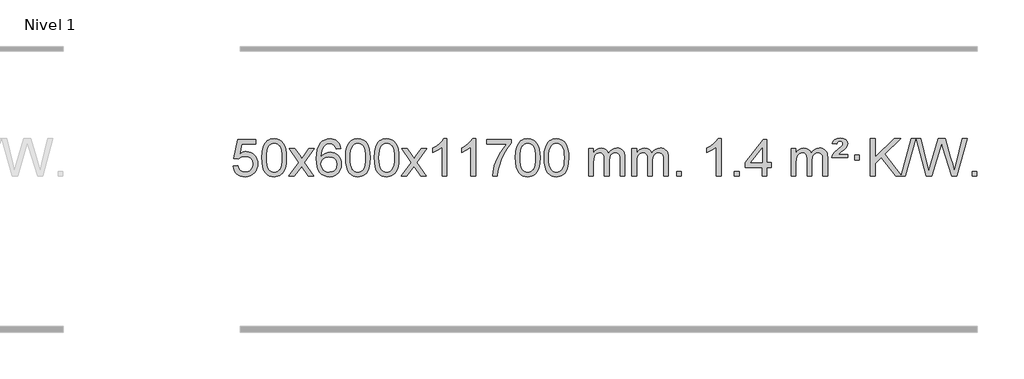
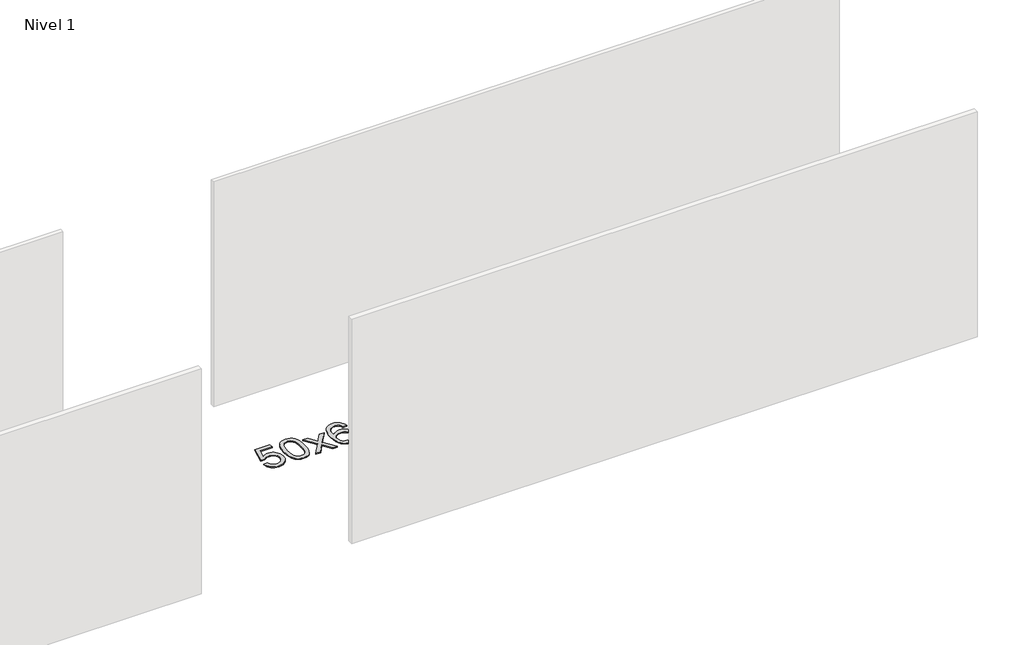
# One storey, part 10 of 12: 1 proxy.
"""IFC4 building model written with IfcOpenShell, lengths in millimetres."""

from ifc_helpers import new_model, si_unit, origin, origin_with_axes, place, context, project, spatial, polyline, outline, extrude, element, save

model = new_model("IFC4")

# Units and contexts
model_context = context("Model", 3, world=origin())
ifc_project = project(units=[si_unit("LENGTHUNIT", "METRE", prefix="MILLI")], contexts=[model_context])

# Site, building, storey
site = spatial("IfcSite", under=ifc_project)
building = spatial("IfcBuilding", under=site)
storey = spatial("IfcBuildingStorey", under=building, Name="Nivel 1", Elevation=0.0)

# Proxy
placement = place(None, origin())
element("IfcBuildingElementProxy", 1, Name="Texto de modelo 1", ObjectType="Texto de modelo 1", at=placement, inside=storey, context=model_context, shape_type="SweptSolid", body=[
    extrude(outline(polyline([(-1909.9934354, -284.8446235), (-1859.7652803, -278.5661041), (-1850.543705, -308.7201649), (-1834.454999, -330.3148381), (-1811.5727389, -343.3010725), (-1781.9705011, -347.6298173), (-1762.8406373, -346.1245668), (-1745.9671165, -341.6088153), (-1731.3499385, -334.0825628), (-1718.9891035, -323.5458094), (-1709.1605228, -310.519721), (-1702.1401081, -295.5254641), (-1696.5237763, -259.6324441), (-1701.7844888, -225.8363514), (-1708.3603795, -211.9181493), (-1717.5666264, -199.9865099), (-1729.4338865, -190.4154467), (-1743.9928164, -183.5789729), (-1781.1856861, -178.1097939), (-1805.5517369, -180.2925604), (-1825.2824746, -186.8408599), (-1841.0400868, -196.8717757), (-1853.4867609, -209.5023908), (-1903.714916, -203.2238715), (-1859.7652803, 3.9672682), (-1665.1311794, 3.9672682), (-1665.1311794, -46.2608869), (-1819.151108, -46.2608869), (-1840.6354166, -156.919791), (-1822.9096358, -144.2155994), (-1804.7546593, -135.1411769), (-1786.1704872, -129.6965234), (-1767.1571194, -127.8816388), (-1742.6960324, -130.1318504), (-1720.2276395, -136.882485), (-1699.7519408, -148.1335427), (-1681.2689362, -163.8850234), (-1665.9681109, -183.1743027), (-1655.03895, -205.038756), (-1648.4814534, -229.4783832), (-1646.2956212, -256.4931844), (-1648.2637899, -282.5147042), (-1654.1682959, -306.7213394), (-1664.0091393, -329.1130902), (-1677.78632, -349.6899565), (-1698.6574919, -370.7634634), (-1723.01128, -385.8159684), (-1750.8476843, -394.8474714), (-1782.1667048, -397.8579724), (-1808.087057, -395.9235262), (-1831.4996803, -390.1201877), (-1852.4045747, -380.447957), (-1870.8017402, -366.9068338), (-1886.1086968, -350.1712688), (-1897.7429649, -330.915712), (-1905.7045445, -309.1401636), (-1909.9934354, -284.8446235)])), origin_with_axes(), (0.0, 0.0, 1.0), 10.0),
    extrude(outline(polyline([(-1602.3459855, -193.9041943), (-1598.6549029, -129.5861588), (-1587.5816548, -78.2911459), (-1569.236606, -39.2343407), (-1557.378543, -24.0009605), (-1543.730121, -11.6309284), (-1528.2453547, -2.0598651), (-1510.8782588, 4.7766086), (-1470.4970785, 10.2457876), (-1439.5459399, 7.008426), (-1411.832163, -2.7036586), (-1388.6555973, -18.5103217), (-1371.3160926, -40.0314184), (-1358.2194935, -67.0830078), (-1347.7716449, -99.4811488), (-1340.9290398, -140.6226186), (-1338.6481714, -193.9041943), (-1342.3024659, -257.8543477), (-1353.2653493, -309.0267333), (-1371.5000336, -348.1203266), (-1383.3305054, -363.3996922), (-1396.9697304, -375.8341036), (-1412.4728908, -385.4695462), (-1429.8951689, -392.3520052), (-1470.4970785, -397.8579724), (-1498.1618045, -395.4667394), (-1522.6872709, -388.2930405), (-1544.0734775, -376.3368757), (-1562.3204245, -359.5982449), (-1579.8316074, -329.3399508), (-1592.3395953, -291.6381776), (-1599.844388, -246.4929255), (-1602.3459855, -193.9041943)]), holes=[polyline([(-1552.1178305, -193.8060924), (-1550.6463025, -237.4706195), (-1546.2317185, -272.8148822), (-1538.8740786, -299.8388804), (-1528.5733828, -318.5426142), (-1516.1144459, -331.2682656), (-1502.2820829, -340.3580165), (-1487.0762937, -345.8118671), (-1470.4970785, -347.6298173), (-1453.9178632, -345.8057357), (-1438.7120741, -340.3334911), (-1424.8797111, -331.2130833), (-1412.4207742, -318.4445124), (-1402.1200783, -299.7101217), (-1394.7624384, -272.6922549), (-1390.3478545, -237.3909118), (-1388.8763265, -193.8060924), (-1390.2988035, -151.2973278), (-1394.5662347, -116.5753989), (-1401.6786199, -89.6403055), (-1411.6359592, -70.4920476), (-1423.8864297, -57.1440625), (-1437.8782082, -47.6097875), (-1453.6112949, -41.8892225), (-1471.0856897, -39.9823675), (-1487.5790658, -41.6623619), (-1502.5273375, -46.7023452), (-1515.9305049, -55.1023175), (-1527.7885679, -66.8622786), (-1538.4326203, -87.708925), (-1546.0355148, -115.8151094), (-1550.5972516, -151.1808319), (-1552.1178305, -193.8060924)])]), origin_with_axes(), (0.0, 0.0, 1.0), 10.0),
    extrude(outline(polyline([(-1313.5340939, -391.579453), (-1206.2106531, -243.2494325), (-1307.2555745, -96.4890419), (-1246.8248254, -96.4890419), (-1198.0681983, -167.122385), (-1175.3085655, -200.4770192), (-1155.5900906, -173.2047007), (-1100.0644348, -96.4890419), (-1039.6336857, -96.4890419), (-1145.7799041, -243.2494325), (-1043.5577603, -391.579453), (-1103.9885094, -391.579453), (-1165.498379, -302.4048574), (-1176.7800935, -286.1199477), (-1253.1033448, -391.579453), (-1313.5340939, -391.579453)])), origin_with_axes(), (0.0, 0.0, 1.0), 10.0),
    extrude(outline(polyline([(-754.7458687, -96.4890419), (-804.9740237, -102.7675613), (-813.0674276, -77.874213), (-824.0057856, -60.8780648), (-846.7899439, -45.2062918), (-874.3320426, -39.9823675), (-897.6802865, -43.0235253), (-919.6551044, -52.1469988), (-938.5274507, -71.3627017), (-953.9417063, -97.8134171), (-964.3527668, -135.227016), (-968.2155277, -187.3313693), (-948.0678571, -163.8237098), (-923.9225355, -147.2567573), (-897.1284635, -137.434308), (-869.0345418, -134.1601582), (-844.9014829, -136.398107), (-822.6323595, -143.1119534), (-802.2271715, -154.3016975), (-783.6859189, -169.9673391), (-768.2777947, -189.1769106), (-757.2719917, -210.9984443), (-750.6685099, -235.4319401), (-748.4673493, -262.4773982), (-752.6121531, -298.4439945), (-765.0465645, -331.786366), (-784.740514, -360.0642287), (-810.6639319, -380.8372987), (-841.6395959, -393.602804), (-876.4902836, -397.8579724), (-906.4328123, -395.0375437), (-933.4752046, -386.5762579), (-957.6174606, -372.4741147), (-978.8595801, -352.7311143), (-996.177625, -326.5133908), (-1008.5476571, -292.9870783), (-1015.9696764, -252.1521768), (-1018.4436828, -204.0086864), (-1015.6968306, -150.0342663), (-1007.4562739, -103.9693092), (-993.7220127, -65.8138149), (-974.4940471, -35.5677835), (-953.6535321, -15.5243462), (-929.4898164, -1.2076052), (-902.0029, 7.3824394), (-871.1927829, 10.2457876), (-848.0591367, 8.4738227), (-827.1205198, 3.1579278), (-808.3769322, -5.7018969), (-791.8283738, -18.1056515), (-777.9224344, -33.6364031), (-767.1067037, -51.8772186), (-759.3811818, -72.8280983), (-754.7458687, -96.4890419)]), holes=[polyline([(-968.2155277, -261.6925832), (-965.30926, -283.9494439), (-956.5904567, -305.2007605), (-943.0523993, -323.472233), (-925.6883691, -336.7895612), (-904.7313581, -344.9197533), (-880.4143582, -347.6298173), (-847.2681904, -342.0134855), (-833.353054, -334.9930708), (-821.2098825, -325.1644901), (-811.359842, -312.9262824), (-804.3240989, -298.6769865), (-798.6955043, -264.1451299), (-804.2505225, -230.9989621), (-811.1942951, -217.3781312), (-820.9155769, -205.725469), (-833.0955366, -196.3904634), (-847.4153432, -189.7226022), (-882.4744974, -184.3883133), (-915.5716142, -189.7226022), (-943.248603, -205.725469), (-954.1716326, -217.2248471), (-961.9737965, -230.3858254), (-966.6550949, -245.2084042), (-968.2155277, -261.6925832)])]), origin_with_axes(), (0.0, 0.0, 1.0), 10.0),
    extrude(outline(polyline([(-704.5177136, -193.9041943), (-700.8266309, -129.5861588), (-689.7533828, -78.2911459), (-671.408334, -39.2343407), (-659.550271, -24.0009605), (-645.901849, -11.6309284), (-630.4170827, -2.0598651), (-613.0499869, 4.7766086), (-572.6688065, 10.2457876), (-541.717668, 7.008426), (-514.003891, -2.7036586), (-490.8273253, -18.5103217), (-473.4878206, -40.0314184), (-460.3912216, -67.0830078), (-449.9433729, -99.4811488), (-443.1007678, -140.6226186), (-440.8198994, -193.9041943), (-444.4741939, -257.8543477), (-455.4370774, -309.0267333), (-473.6717616, -348.1203266), (-485.5022334, -363.3996922), (-499.1414584, -375.8341036), (-514.6446188, -385.4695462), (-532.066897, -392.3520052), (-572.6688065, -397.8579724), (-600.3335326, -395.4667394), (-624.8589989, -388.2930405), (-646.2452055, -376.3368757), (-664.4921525, -359.5982449), (-682.0033355, -329.3399508), (-694.5113233, -291.6381776), (-702.016116, -246.4929255), (-704.5177136, -193.9041943)]), holes=[polyline([(-654.2895585, -193.8060924), (-652.8180305, -237.4706195), (-648.4034466, -272.8148822), (-641.0458067, -299.8388804), (-630.7451108, -318.5426142), (-618.2861739, -331.2682656), (-604.4538109, -340.3580165), (-589.2480218, -345.8118671), (-572.6688065, -347.6298173), (-556.0895913, -345.8057357), (-540.8838021, -340.3334911), (-527.0514391, -331.2130833), (-514.5925022, -318.4445124), (-504.2918063, -299.7101217), (-496.9341664, -272.6922549), (-492.5195825, -237.3909118), (-491.0480545, -193.8060924), (-492.4705316, -151.2973278), (-496.7379627, -116.5753989), (-503.8503479, -89.6403055), (-513.8076873, -70.4920476), (-526.0581577, -57.1440625), (-540.0499363, -47.6097875), (-555.7830229, -41.8892225), (-573.2574177, -39.9823675), (-589.7507938, -41.6623619), (-604.6990656, -46.7023452), (-618.1022329, -55.1023175), (-629.9602959, -66.8622786), (-640.6043483, -87.708925), (-648.2072429, -115.8151094), (-652.7689796, -151.1808319), (-654.2895585, -193.8060924)])]), origin_with_axes(), (0.0, 0.0, 1.0), 10.0),
    extrude(outline(polyline([(-396.8702638, -193.9041943), (-393.1791811, -129.5861588), (-382.105933, -78.2911459), (-363.7608842, -39.2343407), (-351.9028212, -24.0009605), (-338.2543992, -11.6309284), (-322.7696329, -2.0598651), (-305.402537, 4.7766086), (-265.0213567, 10.2457876), (-234.0702182, 7.008426), (-206.3564412, -2.7036586), (-183.1798755, -18.5103217), (-165.8403708, -40.0314184), (-152.7437718, -67.0830078), (-142.2959231, -99.4811488), (-135.453318, -140.6226186), (-133.1724496, -193.9041943), (-136.8267441, -257.8543477), (-147.7896275, -309.0267333), (-166.0243118, -348.1203266), (-177.8547836, -363.3996922), (-191.4940086, -375.8341036), (-206.997169, -385.4695462), (-224.4194471, -392.3520052), (-265.0213567, -397.8579724), (-292.6860827, -395.4667394), (-317.2115491, -388.2930405), (-338.5977557, -376.3368757), (-356.8447027, -359.5982449), (-374.3558856, -329.3399508), (-386.8638735, -291.6381776), (-394.3686662, -246.4929255), (-396.8702638, -193.9041943)]), holes=[polyline([(-346.6421087, -193.8060924), (-345.1705807, -237.4706195), (-340.7559968, -272.8148822), (-333.3983568, -299.8388804), (-323.097661, -318.5426142), (-310.6387241, -331.2682656), (-296.8063611, -340.3580165), (-281.6005719, -345.8118671), (-265.0213567, -347.6298173), (-248.4421414, -345.8057357), (-233.2363523, -340.3334911), (-219.4039893, -331.2130833), (-206.9450524, -318.4445124), (-196.6443565, -299.7101217), (-189.2867166, -272.6922549), (-184.8721327, -237.3909118), (-183.4006047, -193.8060924), (-184.8230817, -151.2973278), (-189.0905129, -116.5753989), (-196.2028981, -89.6403055), (-206.1602375, -70.4920476), (-218.4107079, -57.1440625), (-232.4024864, -47.6097875), (-248.1355731, -41.8892225), (-265.6099679, -39.9823675), (-282.103344, -41.6623619), (-297.0516157, -46.7023452), (-310.4547831, -55.1023175), (-322.3128461, -66.8622786), (-332.9568985, -87.708925), (-340.559793, -115.8151094), (-345.1215298, -151.1808319), (-346.6421087, -193.8060924)])]), origin_with_axes(), (0.0, 0.0, 1.0), 10.0),
    extrude(outline(polyline([(-108.0583721, -391.579453), (-0.7349313, -243.2494325), (-101.7798527, -96.4890419), (-41.3491036, -96.4890419), (7.4075235, -167.122385), (30.1671563, -200.4770192), (49.8856312, -173.2047007), (105.411287, -96.4890419), (165.8420361, -96.4890419), (59.6958177, -243.2494325), (161.9179615, -391.579453), (101.4872124, -391.579453), (39.9773428, -302.4048574), (28.6956283, -286.1199477), (-47.627623, -391.579453), (-108.0583721, -391.579453)])), origin_with_axes(), (0.0, 0.0, 1.0), 10.0),
    extrude(outline(polyline([(381.6661399, -391.579453), (331.4379848, -391.579453), (331.4379848, -78.4382987), (310.4687111, -95.3976587), (283.8585801, -112.3324932), (230.9816747, -137.6918254), (230.9816747, -90.2105225), (270.4308873, -68.7507395), (304.6071247, -43.219729), (331.5483494, -16.0700378), (349.2925243, 10.2457876), (381.6661399, 10.2457876), (381.6661399, -391.579453)])), origin_with_axes(), (0.0, 0.0, 1.0), 10.0),
    extrude(outline(polyline([(689.3135897, -391.579453), (639.0854347, -391.579453), (639.0854347, -78.4382987), (618.1161609, -95.3976587), (591.50603, -112.3324932), (538.6291245, -137.6918254), (538.6291245, -90.2105225), (578.0783371, -68.7507395), (612.2545745, -43.219729), (639.1957993, -16.0700378), (656.9399742, 10.2457876), (689.3135897, 10.2457876), (689.3135897, -391.579453)])), origin_with_axes(), (0.0, 0.0, 1.0), 10.0),
    extrude(outline(polyline([(808.605458, -46.2608869), (808.605458, 3.9672682), (1072.3032722, 3.9672682), (1072.3032722, -36.646904), (1034.717995, -84.214046), (997.5005998, -144.7061088), (964.6732631, -212.6048623), (940.2581614, -282.3920768), (928.2897338, -334.6067947), (921.618807, -391.579453), (871.3906519, -391.579453), (876.8230427, -339.8061935), (891.3543815, -278.2717985), (914.5922609, -213.0463207), (946.1442733, -150.1998132), (982.9815238, -93.3865704), (1022.0751171, -46.2608869), (808.605458, -46.2608869)])), origin_with_axes(), (0.0, 0.0, 1.0), 10.0),
    extrude(outline(polyline([(1116.2529079, -193.9041943), (1119.9439906, -129.5861588), (1131.0172386, -78.2911459), (1149.3622874, -39.2343407), (1161.2203504, -24.0009605), (1174.8687724, -11.6309284), (1190.3535388, -2.0598651), (1207.7206346, 4.7766086), (1248.1018149, 10.2457876), (1279.0529535, 7.008426), (1306.7667304, -2.7036586), (1329.9432961, -18.5103217), (1347.2828008, -40.0314184), (1360.3793999, -67.0830078), (1370.8272485, -99.4811488), (1377.6698537, -140.6226186), (1379.950722, -193.9041943), (1376.2964275, -257.8543477), (1365.3335441, -309.0267333), (1347.0988599, -348.1203266), (1335.268388, -363.3996922), (1321.6291631, -375.8341036), (1306.1260026, -385.4695462), (1288.7037245, -392.3520052), (1248.1018149, -397.8579724), (1220.4370889, -395.4667394), (1195.9116226, -388.2930405), (1174.5254159, -376.3368757), (1156.278469, -359.5982449), (1138.767286, -329.3399508), (1126.2592981, -291.6381776), (1118.7545054, -246.4929255), (1116.2529079, -193.9041943)]), holes=[polyline([(1166.481063, -193.8060924), (1167.9525909, -237.4706195), (1172.3671749, -272.8148822), (1179.7248148, -299.8388804), (1190.0255106, -318.5426142), (1202.4844475, -331.2682656), (1216.3168106, -340.3580165), (1231.5225997, -345.8118671), (1248.1018149, -347.6298173), (1264.6810302, -345.8057357), (1279.8868193, -340.3334911), (1293.7191824, -331.2130833), (1306.1781193, -318.4445124), (1316.4788151, -299.7101217), (1323.836455, -272.6922549), (1328.251039, -237.3909118), (1329.7225669, -193.8060924), (1328.3000899, -151.2973278), (1324.0326588, -116.5753989), (1316.9202735, -89.6403055), (1306.9629342, -70.4920476), (1294.7124637, -57.1440625), (1280.7206852, -47.6097875), (1264.9875985, -41.8892225), (1247.5132038, -39.9823675), (1231.0198276, -41.6623619), (1216.0715559, -46.7023452), (1202.6683885, -55.1023175), (1190.8103256, -66.8622786), (1180.1662732, -87.708925), (1172.5633786, -115.8151094), (1168.0016419, -151.1808319), (1166.481063, -193.8060924)])]), origin_with_axes(), (0.0, 0.0, 1.0), 10.0),
    extrude(outline(polyline([(1423.9003577, -193.9041943), (1427.5914404, -129.5861588), (1438.6646885, -78.2911459), (1457.0097373, -39.2343407), (1468.8678003, -24.0009605), (1482.5162223, -11.6309284), (1498.0009886, -2.0598651), (1515.3680844, 4.7766086), (1555.7492648, 10.2457876), (1586.7004033, 7.008426), (1614.4141803, -2.7036586), (1637.590746, -18.5103217), (1654.9302507, -40.0314184), (1668.0268497, -67.0830078), (1678.4746984, -99.4811488), (1685.3173035, -140.6226186), (1687.5981719, -193.9041943), (1683.9438774, -257.8543477), (1672.9809939, -309.0267333), (1654.7463097, -348.1203266), (1642.9158379, -363.3996922), (1629.2766129, -375.8341036), (1613.7734525, -385.4695462), (1596.3511743, -392.3520052), (1555.7492648, -397.8579724), (1528.0845387, -395.4667394), (1503.5590724, -388.2930405), (1482.1728657, -376.3368757), (1463.9259188, -359.5982449), (1446.4147358, -329.3399508), (1433.906748, -291.6381776), (1426.4019553, -246.4929255), (1423.9003577, -193.9041943)]), holes=[polyline([(1474.1285128, -193.8060924), (1475.6000408, -237.4706195), (1480.0146247, -272.8148822), (1487.3722646, -299.8388804), (1497.6729605, -318.5426142), (1510.1318974, -331.2682656), (1523.9642604, -340.3580165), (1539.1700495, -345.8118671), (1555.7492648, -347.6298173), (1572.32848, -345.8057357), (1587.5342692, -340.3334911), (1601.3666322, -331.2130833), (1613.8255691, -318.4445124), (1624.126265, -299.7101217), (1631.4839049, -272.6922549), (1635.8984888, -237.3909118), (1637.3700168, -193.8060924), (1635.9475397, -151.2973278), (1631.6801086, -116.5753989), (1624.5677233, -89.6403055), (1614.610384, -70.4920476), (1602.3599136, -57.1440625), (1588.368135, -47.6097875), (1572.6350484, -41.8892225), (1555.1606536, -39.9823675), (1538.6672775, -41.6623619), (1523.7190057, -46.7023452), (1510.3158384, -55.1023175), (1498.4577754, -66.8622786), (1487.813723, -87.708925), (1480.2108284, -115.8151094), (1475.6490917, -151.1808319), (1474.1285128, -193.8060924)])]), origin_with_axes(), (0.0, 0.0, 1.0), 10.0),
    extrude(outline(polyline([(1901.0678309, -391.579453), (1901.0678309, -96.4890419), (1951.295986, -96.4890419), (1951.295986, -145.0494653), (1966.4036733, -122.7435537), (1985.8278426, -105.2691589), (2008.9063064, -93.9751816), (2034.9768772, -90.2105225), (2062.9113833, -94.048758), (2085.3031341, -105.5634645), (2102.0295022, -123.9943524), (2112.9678601, -148.5811324), (2131.2761208, -123.0439906), (2152.1595554, -104.803175), (2175.6181639, -93.8586857), (2201.6519464, -90.2105225), (2221.7597632, -91.7280358), (2239.4089019, -96.2805755), (2254.5993626, -103.8681416), (2267.3311453, -114.4907342), (2277.3957836, -128.2709806), (2284.5848109, -145.3315082), (2288.8982273, -165.6723168), (2290.3360328, -189.2934066), (2290.3360328, -391.579453), (2240.1078777, -391.579453), (2240.1078777, -210.875817), (2238.942918, -185.8230531), (2235.4480391, -168.9372695), (2228.8997396, -157.3735121), (2218.5745182, -148.2868268), (2205.2939782, -142.4007149), (2189.8797226, -140.4386776), (2162.6687177, -145.4663982), (2140.4854334, -160.54956), (2131.8800604, -172.1194488), (2125.7333654, -186.7182326), (2120.8160094, -225.0024856), (2120.8160094, -391.579453), (2070.5878543, -391.579453), (2070.5878543, -205.2840106), (2067.6815865, -176.8835206), (2058.9627833, -156.6254854), (2043.6221041, -144.4853796), (2020.8502086, -140.4386776), (2001.4996156, -143.1364789), (1983.6696016, -151.2298828), (1968.9543218, -164.5226856), (1958.9479315, -182.8186835), (1953.2089724, -208.2025411), (1951.295986, -242.7589232), (1951.295986, -391.579453), (1901.0678309, -391.579453)])), origin_with_axes(), (0.0, 0.0, 1.0), 10.0),
    extrude(outline(polyline([(2365.6782654, -391.579453), (2365.6782654, -96.4890419), (2415.9064204, -96.4890419), (2415.9064204, -145.0494653), (2431.0141077, -122.7435537), (2450.4382771, -105.2691589), (2473.5167409, -93.9751816), (2499.5873116, -90.2105225), (2527.5218178, -94.048758), (2549.9135685, -105.5634645), (2566.6399366, -123.9943524), (2577.5782946, -148.5811324), (2595.8865552, -123.0439906), (2616.7699898, -104.803175), (2640.2285984, -93.8586857), (2666.2623809, -90.2105225), (2686.3701976, -91.7280358), (2704.0193363, -96.2805755), (2719.209797, -103.8681416), (2731.9415798, -114.4907342), (2742.006218, -128.2709806), (2749.1952453, -145.3315082), (2753.5086617, -165.6723168), (2754.9464672, -189.2934066), (2754.9464672, -391.579453), (2704.7183121, -391.579453), (2704.7183121, -210.875817), (2703.5533525, -185.8230531), (2700.0584735, -168.9372695), (2693.510174, -157.3735121), (2683.1849527, -148.2868268), (2669.9044126, -142.4007149), (2654.490157, -140.4386776), (2627.2791521, -145.4663982), (2605.0958678, -160.54956), (2596.4904948, -172.1194488), (2590.3437998, -186.7182326), (2585.4264438, -225.0024856), (2585.4264438, -391.579453), (2535.1982887, -391.579453), (2535.1982887, -205.2840106), (2532.292021, -176.8835206), (2523.5732177, -156.6254854), (2508.2325385, -144.4853796), (2485.460643, -140.4386776), (2466.11005, -143.1364789), (2448.280036, -151.2298828), (2433.5647562, -164.5226856), (2423.5583659, -182.8186835), (2417.8194068, -208.2025411), (2415.9064204, -242.7589232), (2415.9064204, -391.579453), (2365.6782654, -391.579453)])), origin_with_axes(), (0.0, 0.0, 1.0), 10.0),
    extrude(outline(polyline([(2842.8457386, -391.579453), (2842.8457386, -341.3512979), (2893.0738936, -341.3512979), (2893.0738936, -391.579453), (2842.8457386, -391.579453)])), origin_with_axes(), (0.0, 0.0, 1.0), 10.0),
    extrude(outline(polyline([(3320.0132118, -391.579453), (3269.7850567, -391.579453), (3269.7850567, -78.4382987), (3248.815783, -95.3976587), (3222.205652, -112.3324932), (3169.3287466, -137.6918254), (3169.3287466, -90.2105225), (3208.7779592, -68.7507395), (3242.9541965, -43.219729), (3269.8954213, -16.0700378), (3287.6395962, 10.2457876), (3320.0132118, 10.2457876), (3320.0132118, -391.579453)])), origin_with_axes(), (0.0, 0.0, 1.0), 10.0),
    extrude(outline(polyline([(3464.4191576, -391.579453), (3464.4191576, -341.3512979), (3514.6473127, -341.3512979), (3514.6473127, -391.579453), (3464.4191576, -391.579453)])), origin_with_axes(), (0.0, 0.0, 1.0), 10.0),
    extrude(outline(polyline([(3759.5095687, -391.579453), (3759.5095687, -297.4016622), (3577.4325065, -297.4016622), (3577.4325065, -247.1735072), (3772.0666075, 3.9672682), (3809.7377238, 3.9672682), (3809.7377238, -247.1735072), (3859.9658788, -247.1735072), (3859.9658788, -297.4016622), (3809.7377238, -297.4016622), (3809.7377238, -391.579453), (3759.5095687, -391.579453)]), holes=[polyline([(3759.5095687, -247.1735072), (3759.5095687, -91.9763561), (3639.2366817, -247.1735072), (3759.5095687, -247.1735072)])]), origin_with_axes(), (0.0, 0.0, 1.0), 10.0),
    extrude(outline(polyline([(4073.4355379, -391.579453), (4073.4355379, -96.4890419), (4123.663693, -96.4890419), (4123.663693, -145.0494653), (4138.7713803, -122.7435537), (4158.1955496, -105.2691589), (4181.2740134, -93.9751816), (4207.3445842, -90.2105225), (4235.2790903, -94.048758), (4257.6708411, -105.5634645), (4274.3972091, -123.9943524), (4285.3355671, -148.5811324), (4303.6438278, -123.0439906), (4324.5272623, -104.803175), (4347.9858709, -93.8586857), (4374.0196534, -90.2105225), (4394.1274702, -91.7280358), (4411.7766089, -96.2805755), (4426.9670696, -103.8681416), (4439.6988523, -114.4907342), (4449.7634906, -128.2709806), (4456.9525179, -145.3315082), (4461.2659343, -165.6723168), (4462.7037397, -189.2934066), (4462.7037397, -391.579453), (4412.4755847, -391.579453), (4412.4755847, -210.875817), (4411.310625, -185.8230531), (4407.8157461, -168.9372695), (4401.2674465, -157.3735121), (4390.9422252, -148.2868268), (4377.6616852, -142.4007149), (4362.2474296, -140.4386776), (4335.0364247, -145.4663982), (4312.8531404, -160.54956), (4304.2477674, -172.1194488), (4298.1010724, -186.7182326), (4293.1837164, -225.0024856), (4293.1837164, -391.579453), (4242.9555613, -391.579453), (4242.9555613, -205.2840106), (4240.0492935, -176.8835206), (4231.3304902, -156.6254854), (4215.989811, -144.4853796), (4193.2179155, -140.4386776), (4173.8673226, -143.1364789), (4156.0373086, -151.2298828), (4141.3220287, -164.5226856), (4131.3156385, -182.8186835), (4125.5766794, -208.2025411), (4123.663693, -242.7589232), (4123.663693, -391.579453), (4073.4355379, -391.579453)])), origin_with_axes(), (0.0, 0.0, 1.0), 10.0),
    extrude(outline(polyline([(4506.6533754, -190.6668327), (4510.4793482, -174.8479069), (4518.8180067, -158.9799302), (4540.3268407, -133.8413272), (4572.2835234, -106.1030247), (4616.4293628, -68.726214), (4623.5662735, -57.1992448), (4625.9452437, -45.3779701), (4624.0567828, -33.2869152), (4618.3914001, -23.5012541), (4609.022672, -17.026531), (4596.0241748, -14.8682899), (4583.5897634, -16.4869707), (4574.73607, -21.343013), (4568.3103978, -30.8098431), (4563.1600499, -46.2608869), (4512.9318948, -39.9823675), (4523.7721509, -14.7701881), (4540.4004171, 2.7900458), (4564.165594, 13.0907417), (4596.4165822, 16.524307), (4632.1992376, 12.3917659), (4656.9454332, -0.0058573), (4671.3664074, -18.3386434), (4676.1733988, -40.2766731), (4672.0776459, -63.1834586), (4659.7903873, -84.8149199), (4639.262572, -104.6314968), (4602.7932035, -132.6886303), (4577.1886166, -159.2742358), (4676.1733988, -159.2742358), (4676.1733988, -190.6668327), (4506.6533754, -190.6668327)])), origin_with_axes(), (0.0, 0.0, 1.0), 10.0),
    extrude(outline(polyline([(4751.5156314, -215.7809102), (4751.5156314, -165.5527552), (4801.7437865, -165.5527552), (4801.7437865, -215.7809102), (4751.5156314, -215.7809102)])), origin_with_axes(), (0.0, 0.0, 1.0), 10.0),
    extrude(outline(polyline([(5192.3854144, -391.579453), (5038.954097, -188.9009991), (4971.2638099, -253.4520265), (4971.2638099, -391.579453), (4921.0356548, -391.579453), (4921.0356548, 10.2457876), (4971.2638099, 10.2457876), (4971.2638099, -186.4484525), (5177.2777272, 10.2457876), (5247.5186628, 10.2457876), (5074.5650741, -154.9577537), (5249.218684, -385.5349332), (5360.5320117, 10.2457876), (5405.8550735, 10.2457876), (5292.8417246, -391.579453), (5253.7971822, -391.579453), (5247.5186628, -391.579453), (5192.3854144, -391.579453)])), origin_with_axes(), (0.0, 0.0, 1.0), 10.0),
    extrude(outline(polyline([(5520.3399504, -391.579453), (5410.7601668, 10.2457876), (5462.5579517, 10.2457876), (5526.1279605, -253.844434), (5545.7483335, -335.3670841), (5566.7421327, -263.2622131), (5646.4008474, 10.2457876), (5721.056367, 10.2457876), (5778.9364675, -188.0180823), (5803.731714, -261.5944814), (5822.0031864, -335.3670841), (5841.0349483, -256.1988788), (5905.1935683, 10.2457876), (5956.9913532, 10.2457876), (5847.3134677, -391.579453), (5793.6517474, -391.579453), (5697.3157155, -81.5775584), (5683.87576, -38.3146358), (5668.7680727, -90.4067263), (5580.9669032, -391.579453), (5520.3399504, -391.579453)])), origin_with_axes(), (0.0, 0.0, 1.0), 10.0),
    extrude(outline(polyline([(6013.4980277, -391.579453), (6013.4980277, -341.3512979), (6063.7261827, -341.3512979), (6063.7261827, -391.579453), (6013.4980277, -391.579453)])), origin_with_axes(), (0.0, 0.0, 1.0), 10.0),
])

save(model, "model.ifc")
